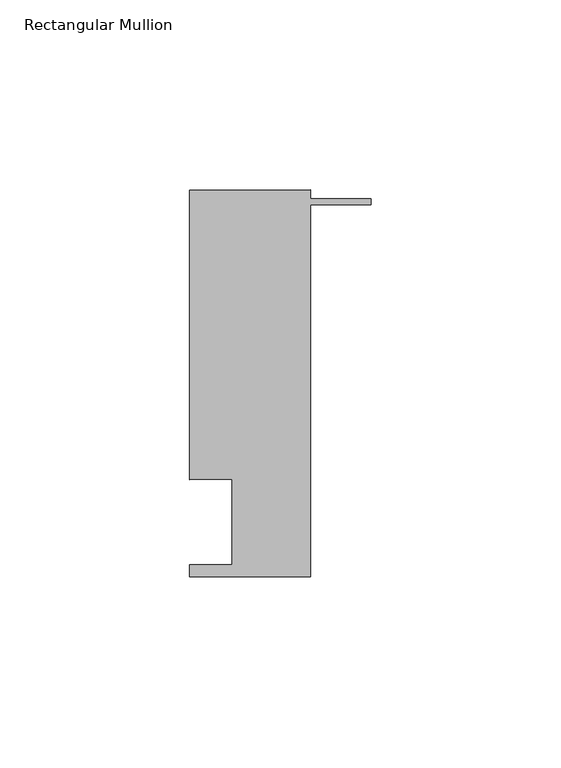
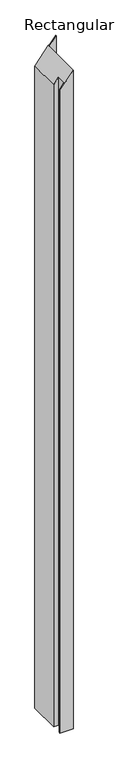
"""IFC4 building model written with IfcOpenShell, lengths in millimetres: member geometry, Rectangular Mullion."""

from ifc_helpers import new_model, si_unit, origin, place, context, project, spatial, faceted_brep, source, transform, mapped, element, save


def rectangular_mullion_a55fced0(model_context):
    return source(origin(), model_context, "Body", "Brep", [
        faceted_brep([(-16.0176407, 13.8350625, -1664.2953125), (-47.7676407, 13.8350625, -1664.2953125), (-47.7676407, 17.020249, -1664.2953125), (-36.6551407, 17.020249, -1664.2953125), (-36.6551407, 39.4890625, -1664.2953125), (-47.7676407, 39.4890625, -1664.2953125), (-47.7676407, 115.6890625, -1664.2953125), (-16.0176407, 115.6890625, -1664.2953125), (-16.0176407, 113.4030625, -1664.2953125), (0.0, 113.4030625, -1664.2953125), (0.0, 111.8282625, -1664.2953125), (-16.0176407, 111.8282625, -1664.2953125), (-16.0176407, 111.8282625, -20.5988602), (-16.0176407, 13.8350625, -20.5988602), (0.0, 111.8282625, 0.0), (0.0, 113.4030625, 0.0), (-16.0176407, 113.4030625, -20.5988602), (-16.0176407, 115.6890625, -20.5988602), (-47.7676407, 115.6890625, -61.4297057), (-47.7676407, 39.4890625, -61.4297057), (-36.6551407, 39.4890625, -47.1389098), (-36.6551407, 17.020249, -47.1389098), (-47.7676407, 17.020249, -61.4297057), (-47.7676407, 13.8350625, -61.4297057)], [[[0, 1, 2, 3, 4, 5, 6, 7, 8, 9, 10, 11]], [[12, 13, 0, 11]], [[14, 12, 11, 10]], [[15, 14, 10, 9]], [[16, 15, 9, 8]], [[17, 16, 8, 7]], [[18, 17, 7, 6]], [[19, 18, 6, 5]], [[20, 19, 5, 4]], [[21, 20, 4, 3]], [[22, 21, 3, 2]], [[23, 22, 2, 1]], [[13, 23, 1, 0]], [[13, 12, 14, 15, 16, 17, 18, 19, 20, 21, 22, 23]]]),
    ])


if __name__ == "__main__":
    model = new_model("IFC4")
    model_context = context("Model", 3, world=origin())
    ifc_project = project(units=[si_unit("LENGTHUNIT", "METRE", prefix="MILLI")], contexts=[model_context])
    site = spatial("IfcSite", under=ifc_project)
    building = spatial("IfcBuilding", under=site)
    placement = place(None, origin())
    rectangular_mullion_shape = rectangular_mullion_a55fced0(model_context)
    element("IfcMember", 1, ObjectType="Rectangular Mullion", at=placement, inside=building, context=model_context, shape_type="MappedRepresentation", body=[
        mapped(rectangular_mullion_shape, transform((0.0, 0.0, 0.0), x_axis=(1.0, 0.0, 0.0), y_axis=(0.0, 1.0, 0.0), z_axis=(0.0, 0.0, 1.0))),
    ])
    save(model, "model.ifc")
